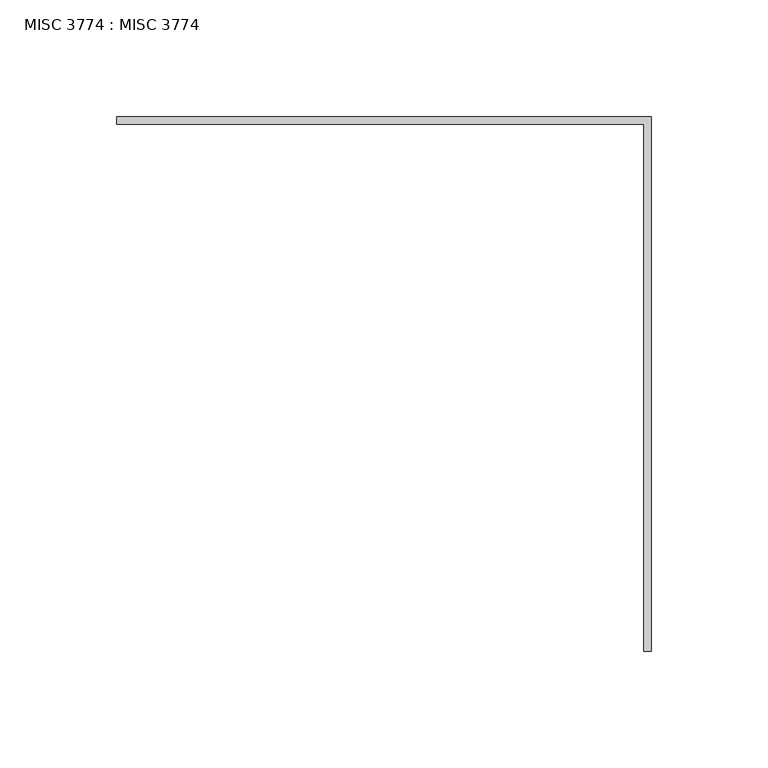
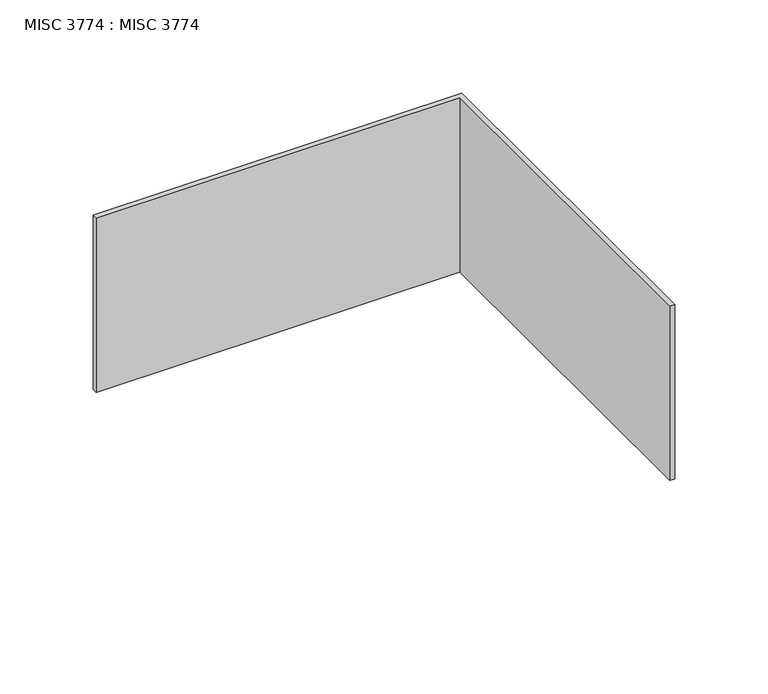
"""IFC4 building model written with IfcOpenShell, lengths in millimetres: beam geometry, MISC 3774 : MISC 3774."""

from ifc_helpers import new_model, si_unit, frame, origin, place, context, project, spatial, polyline, outline, extrude, source, transform, mapped, element, save


def misc_3774_misc_3774_45fc5b11(model_context):
    return source(origin(), model_context, "Body", "SweptSolid", [
        extrude(outline(polyline([(993.7749985, 593.725), (990.5999985, 593.725), (990.5999985, 819.1500061), (765.1749924, 819.1500061), (765.1749924, 822.3250061), (993.7749985, 822.3250061), (993.7749985, 593.725)])), frame((0.0, 0.0, -130.175), z_axis=(0.0, 0.0, 1.0), x_axis=(1.0, 0.0, 0.0)), (0.0, 0.0, 1.0), 114.3),
    ])


if __name__ == "__main__":
    model = new_model("IFC4")
    model_context = context("Model", 3, world=origin())
    ifc_project = project(units=[si_unit("LENGTHUNIT", "METRE", prefix="MILLI")], contexts=[model_context])
    site = spatial("IfcSite", under=ifc_project)
    building = spatial("IfcBuilding", under=site)
    placement = place(None, origin())
    misc_3774_misc_3774_shape = misc_3774_misc_3774_45fc5b11(model_context)
    element("IfcBeam", 1, ObjectType="MISC 3774 : MISC 3774", at=placement, inside=building, context=model_context, shape_type="MappedRepresentation", body=[
        mapped(misc_3774_misc_3774_shape, transform((0.0, 0.0, 0.0), x_axis=(1.0, 0.0, 0.0), y_axis=(0.0, 1.0, 0.0), z_axis=(0.0, 0.0, 1.0))),
    ])
    save(model, "model.ifc")
